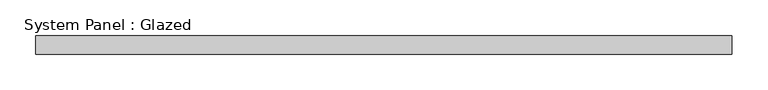
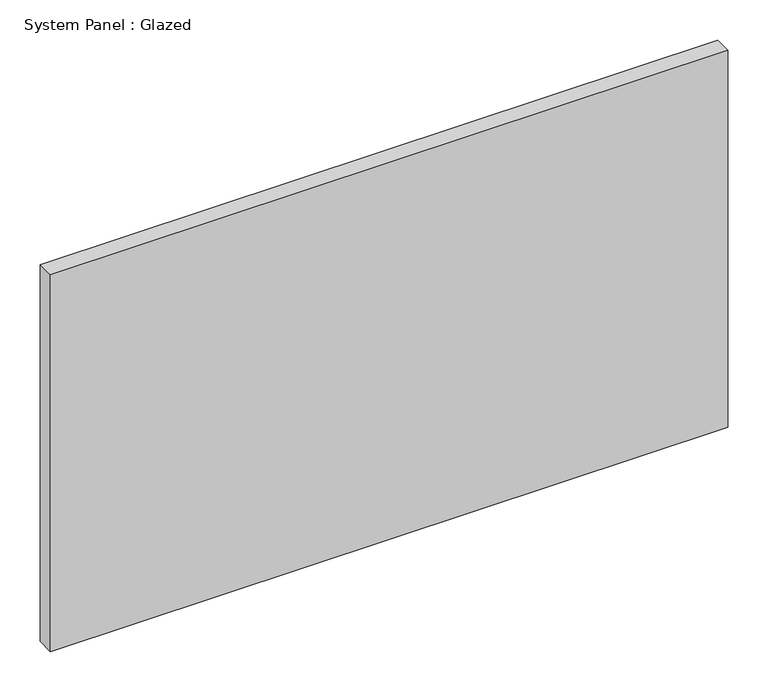
"""IFC4 building model written with IfcOpenShell, lengths in millimetres: plate geometry, System Panel : Glazed."""

import ifcopenshell
import ifcopenshell.guid

model = None  # the IFC model being written
_history = None  # IfcOwnerHistory: only IFC2X3 demands one
_inside = {}  # id of a spatial element -> (the spatial element, [elements in it])
_under = {}  # id of a project, library or spatial element -> (it, [spatial elements below it])
_declared = {}  # id of a project -> (the project, [libraries it declares])
_typed = {}  # id of a type object -> (the type object, [elements of that type])
_made_of = {}  # id of a material, layer set ... -> (it, [elements and type objects made of it])


def new_model(schema):
    """Start an empty IFC model of exactly this schema.

    Asked for "IFC4X3", IfcOpenShell would pick the latest addendum, in which some entities
    have other attributes; the version numbers below select the first issue.
    IFC2X3 requires an IfcOwnerHistory on every rooted entity: one is made here for all.
    """
    global model, _history
    if schema == "IFC4X3":
        model = ifcopenshell.file(schema_version=(4, 3, 0, 0))
    else:
        model = ifcopenshell.file(schema=schema)
    _inside.clear()
    _under.clear()
    _declared.clear()
    _typed.clear()
    _made_of.clear()
    _history = None
    if model.schema == "IFC2X3":
        org = make("IfcOrganization", Name="unknown")
        user = make(
            "IfcPersonAndOrganization",
            ThePerson=make("IfcPerson", FamilyName="unknown"),
            TheOrganization=org,
        )
        app = make(
            "IfcApplication",
            ApplicationDeveloper=org,
            Version="unknown",
            ApplicationFullName="unknown",
            ApplicationIdentifier="unknown",
        )
        _history = make(
            "IfcOwnerHistory",
            OwningUser=user,
            OwningApplication=app,
            ChangeAction="ADDED",
            CreationDate=0,
        )
    return model


def make(cls, **values):
    """One entity of the class cls with the attributes given. An attribute that is None is left unset."""
    return model.create_entity(
        cls, **{name: value for name, value in values.items() if value is not None}
    )


def rooted(cls, **values):
    """An entity with a GlobalId (a new one), such as an element, a storey or a relation."""
    return make(cls, GlobalId=ifcopenshell.guid.new(), OwnerHistory=_history, **values)


def si_unit(unit_type, name, prefix=None):
    """IfcSIUnit, for example si_unit("LENGTHUNIT", "METRE", prefix="MILLI")."""
    return make("IfcSIUnit", UnitType=unit_type, Prefix=prefix, Name=name)


def assignment(units):
    """IfcUnitAssignment: the units of a project."""
    return None if units is None else make("IfcUnitAssignment", Units=units)


def point(xyz):
    """IfcCartesianPoint."""
    return None if xyz is None else make("IfcCartesianPoint", Coordinates=xyz)


def direction(xyz):
    """IfcDirection."""
    return None if xyz is None else make("IfcDirection", DirectionRatios=xyz)


def frame(location, z_axis=None, x_axis=None):
    """IfcAxis2Placement3D, a coordinate frame: its origin and axes. An axis left out is left unset."""
    return make(
        "IfcAxis2Placement3D",
        Location=point(location),
        Axis=direction(z_axis),
        RefDirection=direction(x_axis),
    )


def origin():
    """The frame at (0, 0, 0) with its axes left unset."""
    return frame((0.0, 0.0, 0.0))


def origin_with_axes():
    """The frame at (0, 0, 0) with the z axis (0, 0, 1) and the x axis (1, 0, 0) written out."""
    return frame((0.0, 0.0, 0.0), z_axis=(0.0, 0.0, 1.0), x_axis=(1.0, 0.0, 0.0))


def place(relative_to, where):
    """IfcLocalPlacement: puts the frame where relative to a parent placement (None: the world)."""
    return make(
        "IfcLocalPlacement", PlacementRelTo=relative_to, RelativePlacement=where
    )


def context(
    kind, dimensions, precision=None, world=None, true_north=None, identifier=None
):
    """IfcGeometricRepresentationContext, for example the 3D "Model" context."""
    return make(
        "IfcGeometricRepresentationContext",
        ContextIdentifier=identifier,
        ContextType=kind,
        CoordinateSpaceDimension=dimensions,
        Precision=precision,
        WorldCoordinateSystem=world,
        TrueNorth=true_north,
    )


def project(units=None, contexts=None):
    """IfcProject with its units and contexts."""
    return rooted(
        "IfcProject",
        Name="project",
        RepresentationContexts=contexts,
        UnitsInContext=assignment(units),
    )


def spatial(cls, under=None, at=None, **own):
    """A site, building, storey or space (cls), placed at a placement, below another one or the project."""
    s = rooted(cls, ObjectPlacement=at, **own)
    if under is not None:
        _under.setdefault(under.id(), (under, []))[1].append(s)
    return s


def polyline(points):
    """IfcPolyline through the points."""
    return make("IfcPolyline", Points=[point(p) for p in points])


def outline(outer, holes=None, kind="AREA"):
    """IfcArbitraryClosedProfileDef: a profile drawn as a closed curve; with holes, ...WithVoids."""
    if holes is None:
        return make("IfcArbitraryClosedProfileDef", ProfileType=kind, OuterCurve=outer)
    return make(
        "IfcArbitraryProfileDefWithVoids",
        ProfileType=kind,
        OuterCurve=outer,
        InnerCurves=holes,
    )


def extrude(swept, where, along, depth):
    """IfcExtrudedAreaSolid: the profile swept, set in the frame where, extruded along a direction by depth."""
    return make(
        "IfcExtrudedAreaSolid",
        SweptArea=swept,
        Position=where,
        ExtrudedDirection=direction(along),
        Depth=depth,
    )


def shape(context_of_items, identifier, shape_type, items):
    """IfcShapeRepresentation: the items that make up one representation, for example the "Body"."""
    return make(
        "IfcShapeRepresentation",
        ContextOfItems=context_of_items,
        RepresentationIdentifier=identifier,
        RepresentationType=shape_type,
        Items=items,
    )


def source(mapping_origin, context_of_items, identifier, shape_type, items):
    """IfcRepresentationMap: a shape defined once, which mapped items show again and again."""
    return make(
        "IfcRepresentationMap",
        MappingOrigin=mapping_origin,
        MappedRepresentation=shape(context_of_items, identifier, shape_type, items),
    )


def transform(
    local_origin,
    x_axis=None,
    y_axis=None,
    z_axis=None,
    scale=None,
    scale2=None,
    scale3=None,
    uniform=True,
):
    """IfcCartesianTransformationOperator3D, or its non-uniform kind. x_axis, y_axis, z_axis: its Axis1, 2, 3."""
    if uniform:
        return make(
            "IfcCartesianTransformationOperator3D",
            Axis1=direction(x_axis),
            Axis2=direction(y_axis),
            LocalOrigin=point(local_origin),
            Scale=scale,
            Axis3=direction(z_axis),
        )
    return make(
        "IfcCartesianTransformationOperator3DnonUniform",
        Axis1=direction(x_axis),
        Axis2=direction(y_axis),
        LocalOrigin=point(local_origin),
        Scale=scale,
        Axis3=direction(z_axis),
        Scale2=scale2,
        Scale3=scale3,
    )


def mapped(mapping_source, mapping_target):
    """IfcMappedItem: shows the shape of a source again, moved by a transform."""
    return make(
        "IfcMappedItem", MappingSource=mapping_source, MappingTarget=mapping_target
    )


def made_of(thing, what):
    """Note that an element or type object is made of a material, layer set ...; save() writes the relation."""
    if what is not None:
        _made_of.setdefault(what.id(), (what, []))[1].append(thing)
    return thing


def element(
    cls,
    number,
    at=None,
    inside=None,
    cuts=None,
    type_object=None,
    material=None,
    context=None,
    identifier="Body",
    shape_type=None,
    held_by="IfcProductDefinitionShape",
    body=None,
    shapes=None,
    **own,
):
    """One element of the class cls, such as IfcWall. Its Tag is "e" and its number.

    at: its placement. inside: the storey or other place that contains it. cuts: it is an
    opening in that element (IfcRelVoidsElement). A single representation is given by context,
    identifier, shape_type and body (its items); several are given by shapes. held_by: the class
    of the entity that holds the representations. save() writes the other relations.
    """
    e = rooted(cls, Tag="e%d" % number, ObjectPlacement=at, **own)
    if body is not None:
        shapes = [shape(context, identifier, shape_type, body)]
    if shapes is not None:
        e.Representation = make(held_by, Representations=shapes)
    if inside is not None:
        _inside.setdefault(inside.id(), (inside, []))[1].append(e)
    if cuts is not None:
        rooted(
            "IfcRelVoidsElement", RelatingBuildingElement=cuts, RelatedOpeningElement=e
        )
    if type_object is not None:
        _typed.setdefault(type_object.id(), (type_object, []))[1].append(e)
    return made_of(e, material)


def aggregate(whole, parts):
    """IfcRelAggregates: a whole, such as a stair, and the parts it consists of."""
    return rooted("IfcRelAggregates", RelatingObject=whole, RelatedObjects=parts)


def save(model, path):
    """Write the relations noted so far, then the file.

    IfcRelAggregates (storeys below a building ...), IfcRelContainedInSpatialStructure (elements
    in a storey), IfcRelDefinesByType, IfcRelAssociatesMaterial and IfcRelDeclares: one each for
    every whole, place, type object, material and project.
    """
    for whole, parts in _under.values():
        aggregate(whole, parts)
    for where, things in _inside.values():
        rooted(
            "IfcRelContainedInSpatialStructure",
            RelatedElements=things,
            RelatingStructure=where,
        )
    for kind, things in _typed.values():
        rooted("IfcRelDefinesByType", RelatedObjects=things, RelatingType=kind)
    for what, things in _made_of.values():
        rooted("IfcRelAssociatesMaterial", RelatedObjects=things, RelatingMaterial=what)
    for by, libraries in _declared.values():
        rooted("IfcRelDeclares", RelatingContext=by, RelatedDefinitions=libraries)
    model.write(path)


def system_panel_glazed_297440ef(model_context):
    return source(origin(), model_context, "Body", "SweptSolid", [
        extrude(outline(polyline([(485.775, -44.45), (-485.775, -44.45), (-485.775, -19.05), (485.775, -19.05), (485.775, -44.45)])), origin_with_axes(), (0.0, 0.0, 1.0), 571.5),
    ])


if __name__ == "__main__":
    model = new_model("IFC4")
    model_context = context("Model", 3, world=origin())
    ifc_project = project(units=[si_unit("LENGTHUNIT", "METRE", prefix="MILLI")], contexts=[model_context])
    site = spatial("IfcSite", under=ifc_project)
    building = spatial("IfcBuilding", under=site)
    placement = place(None, origin())
    system_panel_glazed_shape = system_panel_glazed_297440ef(model_context)
    element("IfcPlate", 1, ObjectType="System Panel : Glazed", at=placement, inside=building, context=model_context, shape_type="MappedRepresentation", body=[
        mapped(system_panel_glazed_shape, transform((0.0, 0.0, 0.0), x_axis=(1.0, 0.0, 0.0), y_axis=(0.0, 1.0, 0.0), z_axis=(0.0, 0.0, 1.0))),
    ])
    save(model, "model.ifc")
